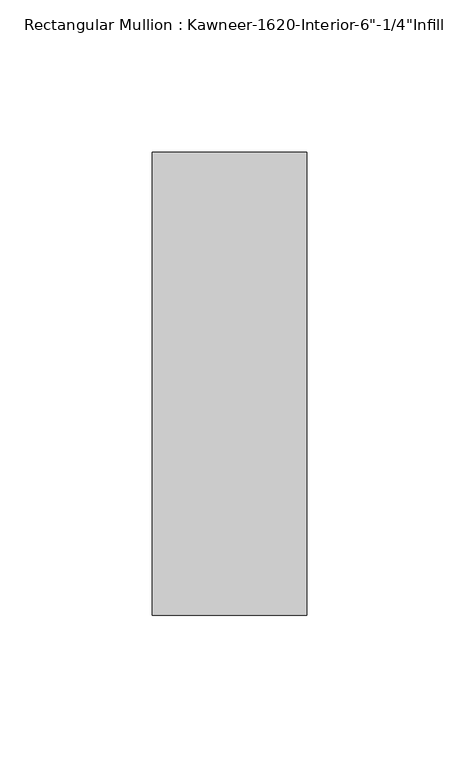
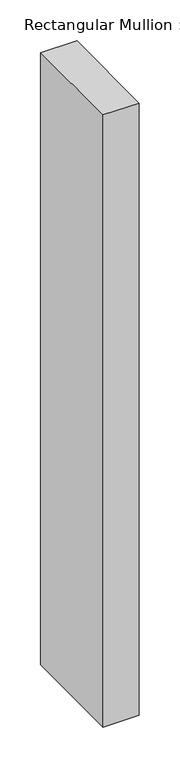
"""IFC4 building model written with IfcOpenShell, lengths in millimetres: member geometry."""

from ifc_helpers import new_model, si_unit, frame, origin, place, context, project, spatial, polyline, outline, extrude, source, transform, mapped, element, save


def member_cc58d3a0(model_context):
    return source(origin(), model_context, "Body", "SweptSolid", [
        extrude(outline(polyline([(25.4, -123.825), (-25.4, -123.825), (-25.4, 28.575), (25.4, 28.575), (25.4, -123.825)])), frame((0.0, 0.0, -911.8777227), z_axis=(0.0, 0.0, 1.0), x_axis=(1.0, 0.0, 0.0)), (0.0, 0.0, 1.0), 911.8777227),
    ])


if __name__ == "__main__":
    model = new_model("IFC4")
    model_context = context("Model", 3, world=origin())
    ifc_project = project(units=[si_unit("LENGTHUNIT", "METRE", prefix="MILLI")], contexts=[model_context])
    site = spatial("IfcSite", under=ifc_project)
    building = spatial("IfcBuilding", under=site)
    placement = place(None, origin())
    member_shape = member_cc58d3a0(model_context)
    element("IfcMember", 1, ObjectType="Rectangular Mullion : Kawneer-1620-Interior-6\"-1/4\"Infill", at=placement, inside=building, context=model_context, shape_type="MappedRepresentation", body=[
        mapped(member_shape, transform((0.0, 0.0, 0.0), x_axis=(1.0, 0.0, 0.0), y_axis=(0.0, 1.0, 0.0), z_axis=(0.0, 0.0, 1.0))),
    ])
    save(model, "model.ifc")
